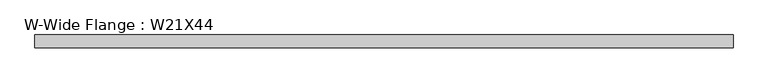
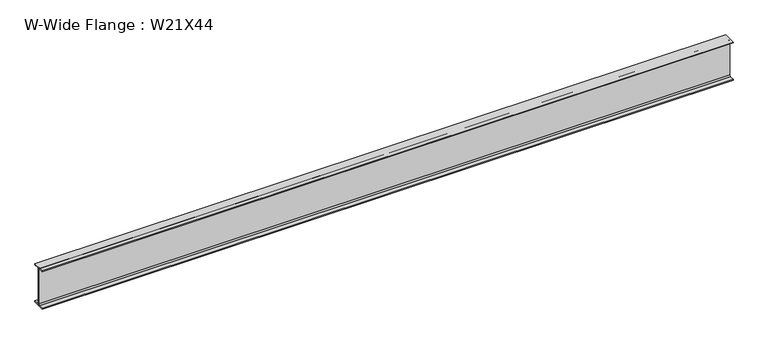
"""IFC4 building model written with IfcOpenShell, lengths in millimetres: beam geometry, W-Wide Flange : W21X44."""

from ifc_helpers import new_model, si_unit, point, frame, frame_2d, origin, place, context, project, spatial, polyline, circle_curve, trimmed, segment, composite_curve, outline, extrude, source, transform, mapped, element, save


def w_wide_flange_w21x44_9e54199e(model_context):
    return source(origin(), model_context, "Body", "SweptSolid", [
        extrude(outline(composite_curve([segment(polyline([(82.55, -251.4699219), (82.55, -262.8800781), (-82.55, -262.8800781), (-82.55, -251.4699219), (-21.6296875, -251.4699219)]), True, "CONTINUOUS"), segment(trimmed(circle_curve(frame_2d((-21.6296875, -234.3050781)), 17.1648437), [point((-21.6296875, -251.4699219))], [point((-4.4648438, -234.3050781))], True, "CARTESIAN"), True, "CONTINUOUS"), segment(polyline([(-4.4648438, -234.3050781), (-4.4648438, 234.3050781)]), True, "CONTINUOUS"), segment(trimmed(circle_curve(frame_2d((-21.6296875, 234.3050781)), 17.1648437), [point((-4.4648438, 234.3050781))], [point((-21.6296875, 251.4699219))], True, "CARTESIAN"), True, "CONTINUOUS"), segment(polyline([(-21.6296875, 251.4699219), (-82.55, 251.4699219), (-82.55, 262.8800781), (82.55, 262.8800781), (82.55, 251.4699219), (21.6296875, 251.4699219)]), True, "CONTINUOUS"), segment(trimmed(circle_curve(frame_2d((21.6296875, 234.3050781)), 17.1648437), [point((21.6296875, 251.4699219))], [point((4.4648437, 234.3050781))], True, "CARTESIAN"), True, "CONTINUOUS"), segment(polyline([(4.4648437, 234.3050781), (4.4648437, -234.3050781)]), True, "CONTINUOUS"), segment(trimmed(circle_curve(frame_2d((21.6296875, -234.3050781)), 17.1648437), [point((4.4648437, -234.3050781))], [point((21.6296875, -251.4699219))], True, "CARTESIAN"), True, "CONTINUOUS"), segment(polyline([(21.6296875, -251.4699219), (82.55, -251.4699219)]), True, "CONTINUOUS")], self_intersect=False)), frame((-4527.55, 0.0, 0.0), z_axis=(1.0, 0.0, 0.0), x_axis=(0.0, 1.0, 0.0)), (0.0, 0.0, 1.0), 9023.746875),
    ])


if __name__ == "__main__":
    model = new_model("IFC4")
    model_context = context("Model", 3, world=origin())
    ifc_project = project(units=[si_unit("LENGTHUNIT", "METRE", prefix="MILLI")], contexts=[model_context])
    site = spatial("IfcSite", under=ifc_project)
    building = spatial("IfcBuilding", under=site)
    placement = place(None, origin())
    w_wide_flange_w21x44_shape = w_wide_flange_w21x44_9e54199e(model_context)
    element("IfcBeam", 1, ObjectType="W-Wide Flange : W21X44", at=placement, inside=building, context=model_context, shape_type="MappedRepresentation", body=[
        mapped(w_wide_flange_w21x44_shape, transform((0.0, 0.0, 0.0), x_axis=(1.0, 0.0, 0.0), y_axis=(0.0, 1.0, 0.0), z_axis=(0.0, 0.0, 1.0))),
    ])
    save(model, "model.ifc")
